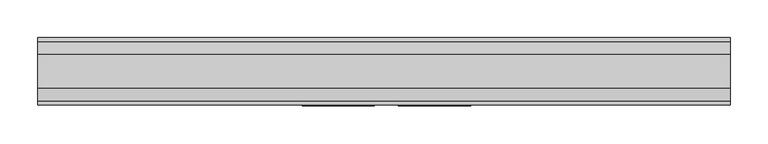
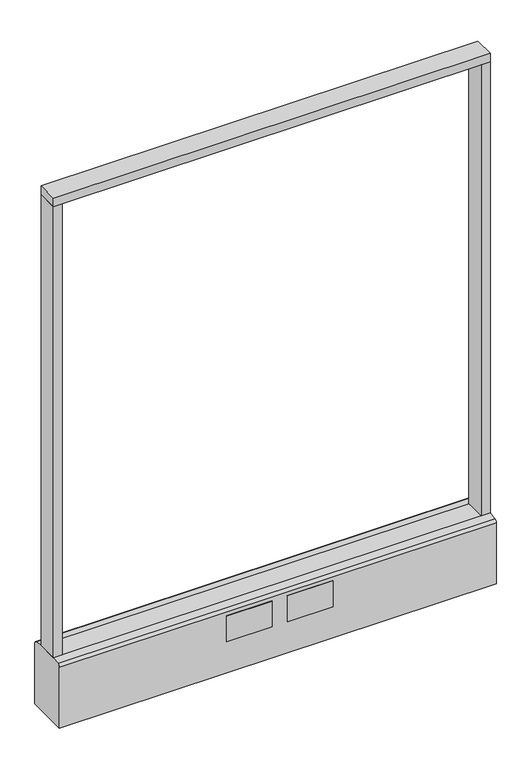
"""IFC4 building model written with IfcOpenShell, lengths in millimetres: furniture geometry."""

from ifc_helpers import new_model, si_unit, point, frame, frame_2d, origin, origin_with_axes, place, context, project, spatial, polyline, circle_curve, trimmed, segment, composite_curve, outline, extrude, source, transform, mapped, element, save


def furniture_969c07b4(model_context):
    return source(origin(), model_context, "Body", "SweptSolid", [
        extrude(outline(polyline([(457.2, -22.225), (-457.2, -22.225), (-457.2, 22.225), (457.2, 22.225), (457.2, -22.225)])), frame((0.0, 0.0, 1149.35), z_axis=(0.0, 0.0, 1.0), x_axis=(1.0, 0.0, 0.0)), (0.0, 0.0, 1.0), 19.05),
        extrude(outline(composite_curve([segment(trimmed(circle_curve(frame_2d((-381.0, 0.0)), 23.415625), [point((-404.415625, 0.0))], [point((-357.584375, 0.0))], False, "CARTESIAN"), True, "CONTINUOUS"), segment(trimmed(circle_curve(frame_2d((-381.0, 0.0)), 23.415625), [point((-357.584375, 0.0))], [point((-404.415625, 0.0))], False, "CARTESIAN"), True, "CONTINUOUS")], self_intersect=False)), origin_with_axes(), (0.0, 0.0, 1.0), 6.35),
        extrude(outline(composite_curve([segment(trimmed(circle_curve(frame_2d((381.0, 0.0)), 23.415625), [point((357.584375, 0.0))], [point((404.415625, 0.0))], False, "CARTESIAN"), True, "CONTINUOUS"), segment(trimmed(circle_curve(frame_2d((381.0, 0.0)), 23.415625), [point((404.415625, 0.0))], [point((357.584375, 0.0))], False, "CARTESIAN"), True, "CONTINUOUS")], self_intersect=False)), origin_with_axes(), (0.0, 0.0, 1.0), 6.35),
        extrude(outline(polyline([(-438.1500091, -22.225), (-457.2, -22.225), (-457.2, 22.225), (-438.1500091, 22.225), (-438.1500091, -22.225)])), frame((0.0, 0.0, 152.4), z_axis=(0.0, 0.0, 1.0), x_axis=(1.0, 0.0, 0.0)), (0.0, 0.0, 1.0), 996.95),
        extrude(outline(polyline([(457.2, -22.225), (438.1500091, -22.225), (438.1500091, 22.225), (457.2, 22.225), (457.2, -22.225)])), frame((0.0, 0.0, 152.4), z_axis=(0.0, 0.0, 1.0), x_axis=(1.0, 0.0, 0.0)), (0.0, 0.0, 1.0), 996.95),
        extrude(outline(composite_curve([segment(polyline([(-22.225, 152.4), (22.225, 152.4), (39.43219, 149.94183)]), True, "CONTINUOUS"), segment(trimmed(circle_curve(frame_2d((38.605678, 144.1562464)), 5.844322), [point((39.43219, 149.94183))], [point((44.45, 144.1562464))], False, "CARTESIAN"), True, "CONTINUOUS"), segment(polyline([(44.45, 144.1562464), (44.45, 9.525), (-44.4433083, 9.525), (-44.4433083, 144.1572033)]), True, "CONTINUOUS"), segment(trimmed(circle_curve(frame_2d((-38.5989863, 144.1572033)), 5.844322), [point((-44.4433083, 144.1572033))], [point((-39.4222979, 149.9432432))], False, "CARTESIAN"), True, "CONTINUOUS"), segment(polyline([(-39.4222979, 149.9432432), (-22.225, 152.4)]), True, "CONTINUOUS")], self_intersect=False)), frame((-457.2, 0.0, 0.0), z_axis=(1.0, 0.0, 0.0), x_axis=(0.0, 1.0, 0.0)), (0.0, 0.0, 1.0), 914.4),
        extrude(outline(polyline([(114.3, -46.0375), (19.05, -46.0375), (19.05, -44.45), (114.3, -44.45), (114.3, -46.0375)])), frame((0.0, 0.0, 79.1718), z_axis=(0.0, 0.0, 1.0), x_axis=(1.0, 0.0, 0.0)), (0.0, 0.0, 1.0), 57.15),
        extrude(outline(polyline([(-12.7, -46.0375), (-107.95, -46.0375), (-107.95, -44.45), (-12.7, -44.45), (-12.7, -46.0375)])), frame((0.0, 0.0, 79.1718), z_axis=(0.0, 0.0, 1.0), x_axis=(1.0, 0.0, 0.0)), (0.0, 0.0, 1.0), 57.15),
        extrude(outline(composite_curve([segment(trimmed(circle_curve(frame_2d((-381.0, 0.0)), 5.55625), [point((-386.55625, 0.0))], [point((-375.44375, 0.0))], False, "CARTESIAN"), True, "CONTINUOUS"), segment(trimmed(circle_curve(frame_2d((-381.0, 0.0)), 5.55625), [point((-375.44375, 0.0))], [point((-386.55625, 0.0))], False, "CARTESIAN"), True, "CONTINUOUS")], self_intersect=False)), frame((0.0, 0.0, 6.35), z_axis=(0.0, 0.0, 1.0), x_axis=(1.0, 0.0, 0.0)), (0.0, 0.0, 1.0), 3.175),
        extrude(outline(composite_curve([segment(trimmed(circle_curve(frame_2d((381.0, 0.0)), 5.55625), [point((375.44375, 0.0))], [point((386.55625, 0.0))], False, "CARTESIAN"), True, "CONTINUOUS"), segment(trimmed(circle_curve(frame_2d((381.0, 0.0)), 5.55625), [point((386.55625, 0.0))], [point((375.44375, 0.0))], False, "CARTESIAN"), True, "CONTINUOUS")], self_intersect=False)), frame((0.0, 0.0, 6.35), z_axis=(0.0, 0.0, 1.0), x_axis=(1.0, 0.0, 0.0)), (0.0, 0.0, 1.0), 3.175),
    ])


if __name__ == "__main__":
    model = new_model("IFC4")
    model_context = context("Model", 3, world=origin())
    ifc_project = project(units=[si_unit("LENGTHUNIT", "METRE", prefix="MILLI")], contexts=[model_context])
    site = spatial("IfcSite", under=ifc_project)
    building = spatial("IfcBuilding", under=site)
    placement = place(None, origin())
    furniture_shape = furniture_969c07b4(model_context)
    element("IfcFurniture", 1, at=placement, inside=building, context=model_context, shape_type="MappedRepresentation", body=[
        mapped(furniture_shape, transform((0.0, 0.0, 0.0), x_axis=(1.0, 0.0, 0.0), y_axis=(0.0, 1.0, 0.0), z_axis=(0.0, 0.0, 1.0))),
    ])
    save(model, "model.ifc")
